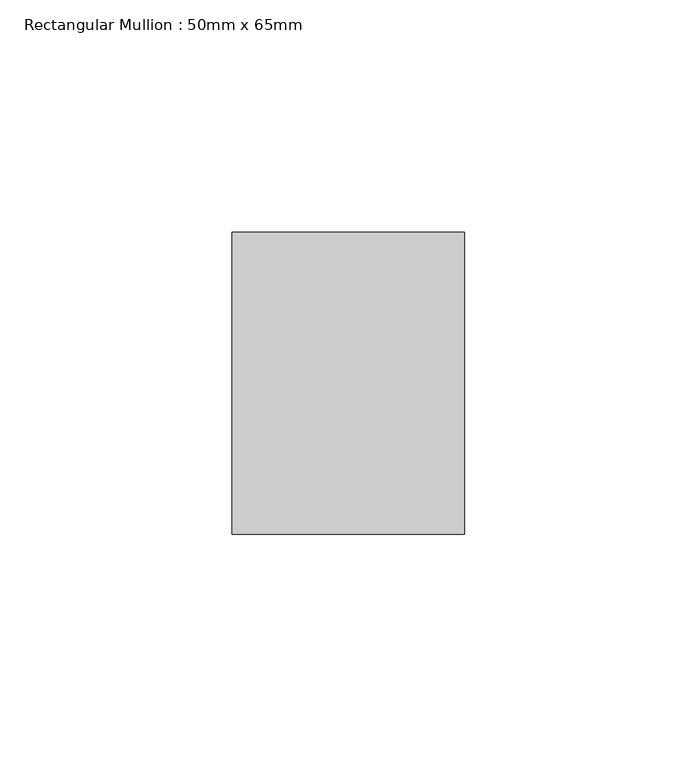
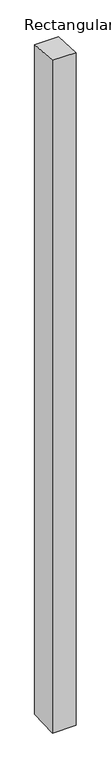
"""IFC4 building model written with IfcOpenShell, lengths in millimetres: member geometry, Rectangular Mullion : 50mm x 65mm."""

from ifc_helpers import new_model, si_unit, origin, place, context, project, spatial, faceted_brep, source, transform, mapped, element, save


def rectangular_mullion_50mm_x_65mm_613019e5(model_context):
    return source(origin(), model_context, "Body", "Brep", [
        faceted_brep([(-25.0, 32.5, -2.1659778), (25.0, 32.5, -2.1659785), (25.0, 32.5, -1498.7588496), (-25.0, 32.5, -1498.75885), (-25.0, -32.5, 2.1659785), (-25.0, -32.5, -1501.2410328), (25.0, -32.5, 2.1659778), (25.0, -32.5, -1501.2410324)], [[[0, 1, 2, 3]], [[4, 0, 3, 5]], [[6, 4, 5, 7]], [[1, 6, 7, 2]], [[1, 0, 4, 6]], [[2, 7, 5, 3]]]),
    ])


if __name__ == "__main__":
    model = new_model("IFC4")
    model_context = context("Model", 3, world=origin())
    ifc_project = project(units=[si_unit("LENGTHUNIT", "METRE", prefix="MILLI")], contexts=[model_context])
    site = spatial("IfcSite", under=ifc_project)
    building = spatial("IfcBuilding", under=site)
    placement = place(None, origin())
    rectangular_mullion_50mm_x_65mm_shape = rectangular_mullion_50mm_x_65mm_613019e5(model_context)
    element("IfcMember", 1, ObjectType="Rectangular Mullion : 50mm x 65mm", at=placement, inside=building, context=model_context, shape_type="MappedRepresentation", body=[
        mapped(rectangular_mullion_50mm_x_65mm_shape, transform((0.0, 0.0, 0.0), x_axis=(1.0, 0.0, 0.0), y_axis=(0.0, 1.0, 0.0), z_axis=(0.0, 0.0, 1.0))),
    ])
    save(model, "model.ifc")
